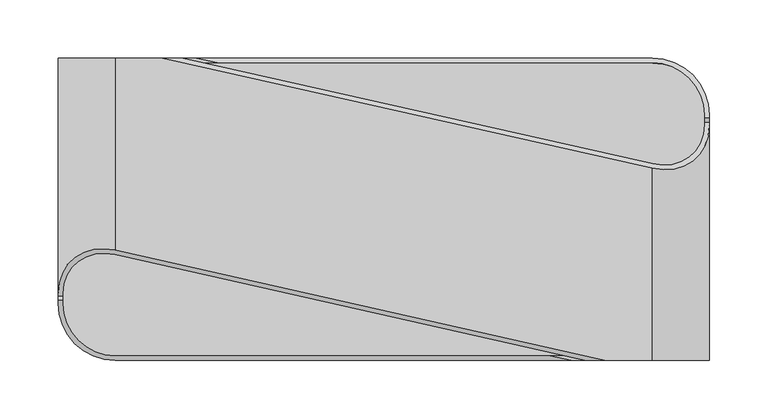
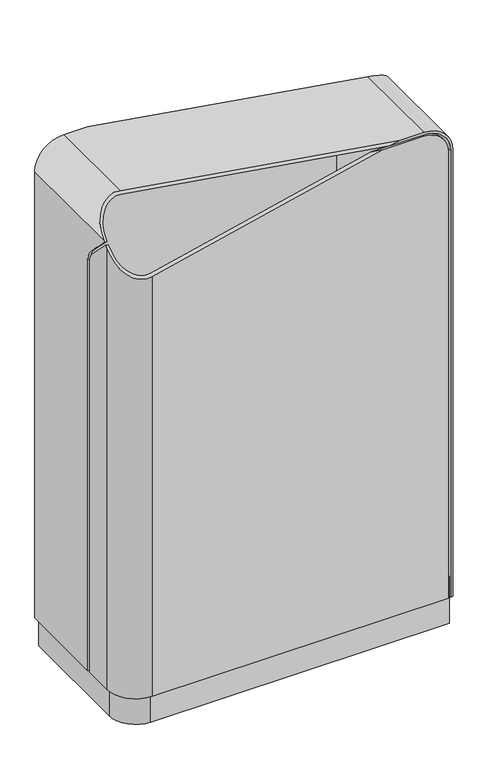
"""IFC4 building model written with IfcOpenShell, lengths in millimetres: furniture geometry."""

from ifc_helpers import new_model, si_unit, point, frame, frame_2d, origin, origin_with_axes, place, context, project, spatial, polyline, circle_curve, ellipse_curve, trimmed, segment, composite_curve, outline, extrude, source, transform, mapped, element, save
from ifc_brep_helpers import plane_surface, cylinder_surface, revolved_surface, advanced_brep


def furniture_21376d5b(model_context):
    return source(origin(), model_context, "Body", "SolidModel", [
        extrude(outline(composite_curve([segment(polyline([(-275.9956618, -81.0), (-275.9956618, 126.0), (230.9956618, 126.0)]), True, "CONTINUOUS"), segment(trimmed(circle_curve(frame_2d((230.9956618, 81.0)), 45.0), [point((230.9956618, 126.0))], [point((275.9956618, 81.0))], False, "CARTESIAN"), True, "CONTINUOUS"), segment(polyline([(275.9956618, 81.0), (275.9956618, -126.0), (-230.9956618, -126.0)]), True, "CONTINUOUS"), segment(trimmed(circle_curve(frame_2d((-230.9956618, -81.0)), 45.0), [point((-230.9956618, -126.0))], [point((-275.9956618, -81.0))], False, "CARTESIAN"), True, "CONTINUOUS")], self_intersect=False)), origin_with_axes(), (0.0, 0.0, 1.0), 84.0),
        advanced_brep(
        [(-213.9217746, 130.0, 891.8021966), (-229.5623218, 130.0, 891.8021966), (-229.5623218, 126.0, 891.8021966), (-213.9217746, 126.0, 891.8021966), (-143.4129388, 126.0, 891.8021966), (-161.1945847, 130.0, 891.8021966), (230.9956618, 126.0, 49.0), (-271.9956618, 126.0, 49.0), (-271.9956618, 130.0, 49.0), (230.9956618, 130.0, 49.0), (279.9956618, 81.0, 49.0), (279.9956618, 31.0, 49.0), (275.9956618, 31.0, 49.0), (275.9956618, 81.0, 49.0), (275.9956618, 81.0, 841.1577765), (230.9956618, 126.0, 805.3631602), (230.9956618, 130.0, 801.2579438), (279.9956618, 81.0, 840.2343037), (-271.9956618, 130.0, 834.5112), (-271.9956618, 130.0, 849.3688566), (-271.9956618, 126.0, 834.5112), (-271.9956618, 126.0, 849.3688566), (275.9956618, 78.6529559, 843.5665574), (279.9956618, 78.1972135, 843.110815), (275.9956618, 31.0, 783.4871946), (275.9956618, 39.7867966, 804.7003981), (279.9956618, 39.7867966, 804.7003981), (279.9956618, 31.0, 783.4871946)],
        [
            (0, 1),
            (1, 2),
            (2, 3),
            (3, 4),
            (4, 5),
            (5, 0),
            (6, 7),
            (7, 8),
            (8, 9),
            (9, 10, circle_curve(frame((230.9956618, 81.0, 49.0), z_axis=(0.0, 0.0, -1.0), x_axis=(-1.0, 0.0, 0.0)), 49.0)),
            (10, 11),
            (11, 12),
            (12, 13),
            (13, 6, circle_curve(frame((230.9956618, 81.0, 49.0), z_axis=(0.0, 0.0, 1.0), x_axis=(-1.0, 0.0, 0.0)), 45.0)),
            (13, 14),
            (14, 15, ellipse_curve(frame((230.9956618, 81.0, 851.5468451), z_axis=(0.15906441596160562, 0.7071067811865488, 0.6889836801948155), x_axis=(0.1512090046169308, 0.6721862453944955, -0.724776854228395)), 65.3135935, 45.0)),
            (15, 6),
            (9, 16),
            (16, 17, ellipse_curve(frame((230.9956618, 81.0, 851.5468451), z_axis=(-0.15906441596160562, -0.7071067811865488, -0.6889836801948155), x_axis=(-0.1512090046169308, -0.6721862453944955, 0.724776854228395)), 71.1192462, 49.0)),
            (17, 10),
            (8, 18),
            (18, 19),
            (19, 1, circle_curve(frame((-229.5623218, 130.0, 849.3688566), z_axis=(0.0, 1.0, 0.0), x_axis=(-1.0, 0.0, 0.0)), 42.43334)),
            (5, 16),
            (7, 20),
            (20, 21),
            (21, 19),
            (15, 4),
            (2, 21, circle_curve(frame((-229.5623218, 126.0, 849.3688566), z_axis=(0.0, -1.0, 0.0), x_axis=(-1.0, 0.0, 0.0)), 42.43334)),
            (14, 22),
            (22, 23),
            (23, 17),
            (12, 24),
            (24, 25, circle_curve(frame((275.9956618, 61.0, 783.4871946), z_axis=(-1.0, 0.0, 0.0), x_axis=(0.0, 1.0, 0.0)), 30.0)),
            (25, 22),
            (23, 26),
            (26, 27, circle_curve(frame((279.9956618, 61.0, 783.4871946), z_axis=(1.0, 0.0, 0.0), x_axis=(0.0, 1.0, 0.0)), 30.0)),
            (27, 11),
            (25, 26),
            (24, 27),
        ],
        [
            plane_surface(frame((185.9956618, 81.0, 891.8021966), z_axis=(0.0, 0.0, 1.0), x_axis=(0.0, 1.0, 0.0))),
            plane_surface(frame((185.9956618, 81.0, 49.0), z_axis=(0.0, 0.0, -1.0), x_axis=(0.0, -1.0, 0.0))),
            revolved_surface(polyline([(185.9956618, 81.0, 49.0), (185.9956618, 81.0, 898.8846259352822)]), (230.9956618, 81.0, 49.0), (0.0, 0.0, -1.0)),
            cylinder_surface(frame((230.9956618, 81.0, 49.0), z_axis=(0.0, 0.0, 1.0), x_axis=(-1.0, 0.0, 0.0)), 49.0),
            plane_surface(frame((230.9956618, 130.0, 891.8021966), z_axis=(0.0, 1.0, 0.0), x_axis=(0.0, 0.0, -1.0))),
            plane_surface(frame((-271.9956618, 130.0, 891.8021966), z_axis=(-1.0, 0.0, 0.0), x_axis=(0.0, 0.0, -1.0))),
            plane_surface(frame((-271.9956618, 126.0, 891.8021966), z_axis=(0.0, -1.0, 0.0), x_axis=(0.0, 0.0, -1.0))),
            plane_surface(frame((383.3877344, 20.258363, 878.7037545), z_axis=(0.15906441596160562, 0.7071067811865488, 0.6889836801948155), x_axis=(-0.9743700647852368, 0.0, 0.22495105434385843))),
            cylinder_surface(frame((-229.5623218, 126.0, 849.3688566), z_axis=(0.0, -1.0, 0.0), x_axis=(-1.0, 0.0, 0.0)), 42.43334),
            plane_surface(frame((275.9956618, -130.0, 849.5478327), z_axis=(-1.0, 0.0, 0.0), x_axis=(0.0, 1.0, 0.0))),
            plane_surface(frame((279.9956618, -130.0, 49.0), z_axis=(1.0, 0.0, 0.0), x_axis=(0.0, 1.0, 0.0))),
            plane_surface(frame((223.8493594, 92.6533952, 857.5669967), z_axis=(0.0, -0.7071067811865485, 0.7071067811865466), x_axis=(1.0, 0.0, 0.0))),
            cylinder_surface(frame((335.9364622, 61.0, 783.4871946), z_axis=(1.0, 0.0, 0.0), x_axis=(0.0, 1.0, 0.0)), 30.0),
            plane_surface(frame((223.8493594, 31.0, 783.4871946), z_axis=(0.0, -1.0, 0.0), x_axis=(1.0, 0.0, 0.0))),
        ],
        [
            (0, [[1, 2, 3, 4, 5, 6]]),
            (1, [[7, 8, 9, 10, 11, 12, 13, 14]]),
            (2, [[-14, 15, 16, 17]]),
            (3, [[-10, 18, 19, 20]]),
            (4, [[-9, 21, 22, 23, -1, -6, 24, -18]]),
            (5, [[-8, 25, 26, 27, -22, -21]]),
            (6, [[-7, -17, 28, -4, -3, 29, -26, -25]]),
            (7, [[-5, -28, -16, 30, 31, 32, -19, -24]]),
            (8, [[-2, -23, -27, -29]]),
            (9, [[-15, -13, 33, 34, 35, -30]]),
            (10, [[-20, -32, 36, 37, 38, -11]]),
            (11, [[39, -36, -31, -35]]),
            (12, [[-39, -34, 40, -37]]),
            (13, [[-40, -33, -12, -38]]),
        ],
    ),
        advanced_brep(
        [(279.9956618, -130.0, 49.0), (275.9956618, -130.0, 49.0), (275.9956618, 26.0, 49.0), (279.9956618, 26.0, 49.0), (-172.9285677, 130.0, 894.5112), (-190.2544712, 130.0, 898.5112), (231.0322945, 35.2310979, 898.5112), (279.9956618, 71.9251761, 849.5478327), (279.9956618, 74.676946, 846.7236799), (275.9956618, 75.1326885, 847.1794224), (275.9956618, 72.8249803, 849.5478327), (231.0322945, 39.1285781, 894.5112), (231.0322945, -130.0, 894.5112), (275.9956618, -130.0, 849.5478327), (279.9956618, -130.0, 849.5478327), (231.0322945, -130.0, 898.5112), (190.2544712, -130.0, 898.5112), (172.9285677, -130.0, 894.5112), (-231.0322945, 130.0, 894.5112), (-275.9956618, 130.0, 849.5478327), (-275.9956618, 130.0, 49.0), (-279.9956618, 130.0, 49.0), (-279.9956618, 130.0, 849.5478327), (-231.0322945, 130.0, 898.5112), (-279.9956618, -71.9251761, 849.5478327), (-231.0322945, -35.2310979, 898.5112), (-279.9956618, -26.0, 49.0), (-279.9956618, -26.0, 785.620327), (-279.9956618, -34.7867966, 806.8335305), (-279.9956618, -74.676946, 846.7236799), (-275.9956618, -26.0, 49.0), (-275.9956618, -72.8249803, 849.5478327), (-275.9956618, -75.1326885, 847.1794224), (-275.9956618, -34.7867966, 806.8335305), (-275.9956618, -26.0, 785.620327), (-231.0322945, -39.1285781, 894.5112), (275.9956618, 34.7867966, 806.8335305), (275.9956618, 26.0, 785.620327), (279.9956618, 26.0, 785.620327), (279.9956618, 34.7867966, 806.8335305)],
        [
            (0, 1),
            (1, 2),
            (2, 3),
            (3, 0),
            (4, 5),
            (5, 6),
            (6, 7, ellipse_curve(frame((231.0322945, 82.9395372, 849.5478327), z_axis=(0.15906441596160562, 0.7071067811865488, 0.6889836801948155), x_axis=(0.15906441596160617, -0.7071067811865461, 0.6889836801948178)), 69.2446581, 48.9633673)),
            (7, 8),
            (8, 9),
            (9, 10),
            (10, 11, ellipse_curve(frame((231.0322945, 82.9395372, 849.5478327), z_axis=(-0.15906441596160562, -0.7071067811865488, -0.6889836801948155), x_axis=(-0.15906441596160617, 0.7071067811865461, -0.6889836801948178)), 63.5878038, 44.9633673)),
            (11, 4),
            (12, 13, circle_curve(frame((231.0322945, -130.0, 849.5478327), z_axis=(0.0, 1.0, 0.0), x_axis=(-1.0, 0.0, 0.0)), 44.9633673)),
            (13, 1),
            (0, 14),
            (14, 15, circle_curve(frame((231.0322945, -130.0, 849.5478327), z_axis=(0.0, -1.0, 0.0), x_axis=(-1.0, 0.0, 0.0)), 48.9633673)),
            (15, 16),
            (16, 17),
            (17, 12),
            (18, 19, circle_curve(frame((-231.0322945, 130.0, 849.5478327), z_axis=(0.0, -1.0, 0.0), x_axis=(1.0, 0.0, 0.0)), 44.9633673)),
            (19, 20),
            (20, 21),
            (21, 22),
            (22, 23, circle_curve(frame((-231.0322945, 130.0, 849.5478327), z_axis=(0.0, 1.0, 0.0), x_axis=(1.0, 0.0, 0.0)), 48.9633673)),
            (23, 5),
            (4, 18),
            (22, 24),
            (24, 25, ellipse_curve(frame((-231.0322945, -82.9395372, 849.5478327), z_axis=(0.15906441596160564, 0.7071067811865488, -0.6889836801948155), x_axis=(0.15906441596160617, -0.7071067811865461, -0.6889836801948178)), 69.2446581, 48.9633673)),
            (25, 23),
            (21, 26),
            (26, 27),
            (27, 28, circle_curve(frame((-279.9956618, -56.0, 785.620327), z_axis=(1.0, 0.0, 0.0), x_axis=(0.0, -1.0, 0.0)), 30.0)),
            (28, 29),
            (29, 24),
            (20, 30),
            (30, 26),
            (19, 31),
            (31, 32),
            (32, 33),
            (33, 34, circle_curve(frame((-275.9956618, -56.0, 785.620327), z_axis=(-1.0, 0.0, 0.0), x_axis=(0.0, -1.0, 0.0)), 30.0)),
            (34, 30),
            (18, 35),
            (35, 31, ellipse_curve(frame((-231.0322945, -82.9395372, 849.5478327), z_axis=(-0.15906441596160564, -0.7071067811865488, 0.6889836801948155), x_axis=(-0.15906441596160617, 0.7071067811865461, 0.6889836801948178)), 63.5878038, 44.9633673)),
            (17, 35),
            (11, 12),
            (10, 13),
            (9, 36),
            (36, 37, circle_curve(frame((275.9956618, 56.0, 785.620327), z_axis=(1.0, 0.0, 0.0), x_axis=(0.0, 1.0, 0.0)), 30.0)),
            (37, 2),
            (3, 38),
            (38, 39, circle_curve(frame((279.9956618, 56.0, 785.620327), z_axis=(-1.0, 0.0, 0.0), x_axis=(0.0, 1.0, 0.0)), 30.0)),
            (39, 8),
            (7, 14),
            (6, 15),
            (25, 16),
            (29, 32),
            (34, 27),
            (33, 28),
            (37, 38),
            (36, 39),
        ],
        [
            plane_surface(frame((185.9956618, 81.0, 49.0), z_axis=(0.0, 0.0, -1.0), x_axis=(0.0, -1.0, 0.0))),
            plane_surface(frame((383.3877344, 20.258363, 878.7037545), z_axis=(0.15906441596160562, 0.7071067811865488, 0.6889836801948155), x_axis=(-0.9743700647852368, 0.0, 0.22495105434385843))),
            plane_surface(frame((-182.0689272, -130.0, 849.5478327), z_axis=(0.0, -1.0, 0.0), x_axis=(0.0, 0.0, 1.0))),
            plane_surface(frame((-182.0689272, 130.0, 849.5478327), z_axis=(0.0, 1.0, 0.0), x_axis=(0.0, 0.0, -1.0))),
            cylinder_surface(frame((-231.0322945, 130.0, 849.5478327), z_axis=(0.0, -1.0, 0.0), x_axis=(1.0, 0.0, 0.0)), 48.9633673),
            plane_surface(frame((-279.9956618, -130.0, 849.5478327), z_axis=(-1.0, 0.0, 0.0), x_axis=(0.0, 1.0, 0.0))),
            plane_surface(frame((-279.9956618, -130.0, 49.0), z_axis=(0.0, 0.0, -1.0), x_axis=(0.0, 1.0, 0.0))),
            plane_surface(frame((-275.9956618, -130.0, 49.0), z_axis=(1.0, 0.0, 0.0), x_axis=(0.0, 1.0, 0.0))),
            revolved_surface(polyline([(-186.06892720000002, 130.0, 849.5478327), (-186.06892720000002, -127.90290446773963, 849.5478327)]), (-231.0322945, 130.0, 849.5478327), (0.0, 1.0, 0.0)),
            plane_surface(frame((-231.0322945, -130.0, 894.5112), z_axis=(0.0, 0.0, -1.0), x_axis=(0.0, 1.0, 0.0))),
            revolved_surface(polyline([(186.06892720000002, 127.90290446773963, 849.5478327), (186.06892720000002, -130.0, 849.5478327)]), (231.0322945, 130.0, 849.5478327), (0.0, 1.0, 0.0)),
            plane_surface(frame((275.9956618, -130.0, 849.5478327), z_axis=(-1.0, 0.0, 0.0), x_axis=(0.0, 1.0, 0.0))),
            plane_surface(frame((279.9956618, -130.0, 49.0), z_axis=(1.0, 0.0, 0.0), x_axis=(0.0, 1.0, 0.0))),
            cylinder_surface(frame((231.0322945, 130.0, 849.5478327), z_axis=(0.0, -1.0, 0.0), x_axis=(-1.0, 0.0, 0.0)), 48.9633673),
            plane_surface(frame((231.0322945, -130.0, 898.5112), z_axis=(0.0, 0.0, 1.0), x_axis=(0.0, 1.0, 0.0))),
            plane_surface(frame((-383.3877344, -20.258363, 878.7037545), z_axis=(-0.15906441596160564, -0.7071067811865488, 0.6889836801948155), x_axis=(0.9743700647852368, 0.0, 0.22495105434385837))),
            plane_surface(frame((-223.8493594, -26.0, 49.0), z_axis=(0.0, -1.0, 0.0), x_axis=(-1.0, 0.0, 0.0))),
            revolved_surface(polyline([(-275.9956618, -86.0, 785.620327), (-279.9956618, -86.0, 785.620327)]), (-335.9364622, -56.0, 785.620327), (1.0, 0.0, 0.0)),
            plane_surface(frame((-223.8493594, -34.7867966, 806.8335305), z_axis=(0.0, -0.707106781186549, -0.707106781186546), x_axis=(-1.0, 0.0, 0.0))),
            plane_surface(frame((223.8493594, 26.0, 49.0), z_axis=(0.0, 1.0, 0.0), x_axis=(1.0, 0.0, 0.0))),
            revolved_surface(polyline([(275.9956618, 86.0, 785.620327), (279.9956618, 86.0, 785.620327)]), (335.9364622, 56.0, 785.620327), (-1.0, 0.0, 0.0)),
            plane_surface(frame((223.8493594, 34.7867966, 806.8335305), z_axis=(0.0, 0.707106781186549, -0.707106781186546), x_axis=(1.0, 0.0, 0.0))),
        ],
        [
            (0, [[1, 2, 3, 4]]),
            (1, [[5, 6, 7, 8, 9, 10, 11, 12]]),
            (2, [[13, 14, -1, 15, 16, 17, 18, 19]]),
            (3, [[20, 21, 22, 23, 24, 25, -5, 26]]),
            (4, [[-24, 27, 28, 29]]),
            (5, [[-23, 30, 31, 32, 33, 34, -27]]),
            (6, [[-22, 35, 36, -30]]),
            (7, [[-21, 37, 38, 39, 40, 41, -35]]),
            (8, [[-20, 42, 43, -37]]),
            (9, [[-19, 44, -42, -26, -12, 45]]),
            (10, [[-13, -45, -11, 46]]),
            (11, [[-14, -46, -10, 47, 48, 49, -2]]),
            (12, [[-15, -4, 50, 51, 52, -8, 53]]),
            (13, [[-16, -53, -7, 54]]),
            (14, [[-17, -54, -6, -25, -29, 55]]),
            (15, [[-18, -55, -28, -34, 56, -38, -43, -44]]),
            (16, [[57, -31, -36, -41]]),
            (17, [[-57, -40, 58, -32]]),
            (18, [[-58, -39, -56, -33]]),
            (19, [[59, -50, -3, -49]]),
            (20, [[-59, -48, 60, -51]]),
            (21, [[-60, -47, -9, -52]]),
        ],
    ),
        advanced_brep(
        [(-279.9956618, -81.0, 840.2343037), (-279.9956618, -78.1972135, 843.110815), (-279.9956618, -39.7867966, 804.7003981), (-279.9956618, -31.0, 783.4871946), (-279.9956618, -31.0, 49.0), (-279.9956618, -81.0, 49.0), (-275.9956618, -31.0, 49.0), (-275.9956618, -81.0, 49.0), (-230.9956618, -126.0, 49.0), (271.9956618, -126.0, 49.0), (271.9956618, -130.0, 49.0), (-230.9956618, -130.0, 49.0), (-275.9956618, -78.6529559, 843.5665574), (-275.9956618, -81.0, 841.1577765), (-275.9956618, -31.0, 783.4871946), (-275.9956618, -39.7867966, 804.7003981), (143.4129388, -126.0, 891.8021966), (161.1945847, -130.0, 891.8021966), (213.9217746, -130.0, 891.8021966), (229.5623218, -130.0, 891.8021966), (229.5623218, -126.0, 891.8021966), (213.9217746, -126.0, 891.8021966), (-230.9956618, -126.0, 805.3631602), (-230.9956618, -130.0, 801.2579438), (271.9956618, -130.0, 834.5112), (271.9956618, -130.0, 849.3688566), (271.9956618, -126.0, 834.5112), (271.9956618, -126.0, 849.3688566)],
        [
            (0, 1),
            (1, 2),
            (2, 3, circle_curve(frame((-279.9956618, -61.0, 783.4871946), z_axis=(-1.0, 0.0, 0.0), x_axis=(0.0, -1.0, 0.0)), 30.0)),
            (3, 4),
            (4, 5),
            (5, 0),
            (4, 6),
            (6, 7),
            (7, 8, circle_curve(frame((-230.9956618, -81.0, 49.0), z_axis=(0.0, 0.0, 1.0), x_axis=(1.0, 0.0, 0.0)), 45.0)),
            (8, 9),
            (9, 10),
            (10, 11),
            (11, 5, circle_curve(frame((-230.9956618, -81.0, 49.0), z_axis=(0.0, 0.0, -1.0), x_axis=(1.0, 0.0, 0.0)), 49.0)),
            (12, 13),
            (13, 7),
            (6, 14),
            (14, 15, circle_curve(frame((-275.9956618, -61.0, 783.4871946), z_axis=(1.0, 0.0, 0.0), x_axis=(0.0, -1.0, 0.0)), 30.0)),
            (15, 12),
            (16, 17),
            (17, 18),
            (18, 19),
            (19, 20),
            (20, 21),
            (21, 16),
            (13, 22, ellipse_curve(frame((-230.9956618, -81.0, 851.5468451), z_axis=(-0.15906441596160564, -0.7071067811865488, 0.6889836801948155), x_axis=(-0.15120900461693082, -0.6721862453944955, -0.724776854228395)), 65.3135935, 45.0)),
            (22, 8),
            (11, 23),
            (23, 0, ellipse_curve(frame((-230.9956618, -81.0, 851.5468451), z_axis=(0.15906441596160564, 0.7071067811865488, -0.6889836801948155), x_axis=(0.15120900461693082, 0.6721862453944955, 0.724776854228395)), 71.1192462, 49.0)),
            (10, 24),
            (24, 25),
            (25, 19, circle_curve(frame((229.5623218, -130.0, 849.3688566), z_axis=(0.0, -1.0, 0.0), x_axis=(1.0, 0.0, 0.0)), 42.43334)),
            (17, 23),
            (9, 26),
            (26, 27),
            (27, 25),
            (22, 16),
            (20, 27, circle_curve(frame((229.5623218, -126.0, 849.3688566), z_axis=(0.0, 1.0, 0.0), x_axis=(1.0, 0.0, 0.0)), 42.43334)),
            (12, 1),
            (15, 2),
            (14, 3),
        ],
        [
            plane_surface(frame((-279.9956618, -130.0, 849.5478327), z_axis=(-1.0, 0.0, 0.0), x_axis=(0.0, 1.0, 0.0))),
            plane_surface(frame((-279.9956618, -130.0, 49.0), z_axis=(0.0, 0.0, -1.0), x_axis=(0.0, 1.0, 0.0))),
            plane_surface(frame((-275.9956618, -130.0, 49.0), z_axis=(1.0, 0.0, 0.0), x_axis=(0.0, 1.0, 0.0))),
            plane_surface(frame((-185.9956618, -81.0, 891.8021966), z_axis=(0.0, 0.0, 1.0), x_axis=(0.0, -1.0, 0.0))),
            revolved_surface(polyline([(-185.9956618, -81.0, 49.0), (-185.9956618, -81.0, 898.8846259352822)]), (-230.9956618, -81.0, 49.0), (0.0, 0.0, -1.0)),
            cylinder_surface(frame((-230.9956618, -81.0, 49.0), z_axis=(0.0, 0.0, 1.0), x_axis=(1.0, 0.0, 0.0)), 49.0),
            plane_surface(frame((-230.9956618, -130.0, 891.8021966), z_axis=(0.0, -1.0, 0.0), x_axis=(0.0, 0.0, -1.0))),
            plane_surface(frame((271.9956618, -130.0, 891.8021966), z_axis=(1.0, 0.0, 0.0), x_axis=(0.0, 0.0, -1.0))),
            plane_surface(frame((271.9956618, -126.0, 891.8021966), z_axis=(0.0, 1.0, 0.0), x_axis=(0.0, 0.0, -1.0))),
            plane_surface(frame((-383.3877344, -20.258363, 878.7037545), z_axis=(-0.15906441596160564, -0.7071067811865488, 0.6889836801948155), x_axis=(0.9743700647852368, 0.0, 0.22495105434385837))),
            cylinder_surface(frame((229.5623218, -126.0, 849.3688566), z_axis=(0.0, 1.0, 0.0), x_axis=(1.0, 0.0, 0.0)), 42.43334),
            plane_surface(frame((-223.8493594, -92.6533952, 857.5669967), z_axis=(0.0, 0.7071067811865487, 0.7071067811865465), x_axis=(-1.0, 0.0, 0.0))),
            cylinder_surface(frame((-335.9364622, -61.0, 783.4871946), z_axis=(-1.0, 0.0, 0.0), x_axis=(0.0, -1.0, 0.0)), 30.0),
            plane_surface(frame((-223.8493594, -31.0, 783.4871946), z_axis=(0.0, 1.0, 0.0), x_axis=(-1.0, 0.0, 0.0))),
        ],
        [
            (0, [[1, 2, 3, 4, 5, 6]]),
            (1, [[-5, 7, 8, 9, 10, 11, 12, 13]]),
            (2, [[14, 15, -8, 16, 17, 18]]),
            (3, [[19, 20, 21, 22, 23, 24]]),
            (4, [[-9, -15, 25, 26]]),
            (5, [[-13, 27, 28, -6]]),
            (6, [[-12, 29, 30, 31, -21, -20, 32, -27]]),
            (7, [[-11, 33, 34, 35, -30, -29]]),
            (8, [[-10, -26, 36, -24, -23, 37, -34, -33]]),
            (9, [[-1, -28, -32, -19, -36, -25, -14, 38]]),
            (10, [[-22, -31, -35, -37]]),
            (11, [[39, -2, -38, -18]]),
            (12, [[-39, -17, 40, -3]]),
            (13, [[-40, -16, -7, -4]]),
        ],
    ),
    ])


if __name__ == "__main__":
    model = new_model("IFC4")
    model_context = context("Model", 3, world=origin())
    ifc_project = project(units=[si_unit("LENGTHUNIT", "METRE", prefix="MILLI")], contexts=[model_context])
    site = spatial("IfcSite", under=ifc_project)
    building = spatial("IfcBuilding", under=site)
    placement = place(None, origin())
    furniture_shape = furniture_21376d5b(model_context)
    element("IfcFurniture", 1, at=placement, inside=building, context=model_context, shape_type="MappedRepresentation", body=[
        mapped(furniture_shape, transform((0.0, 0.0, 0.0), x_axis=(1.0, 0.0, 0.0), y_axis=(0.0, 1.0, 0.0), z_axis=(0.0, 0.0, 1.0))),
    ])
    save(model, "model.ifc")
